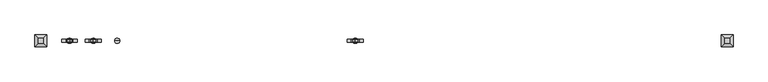
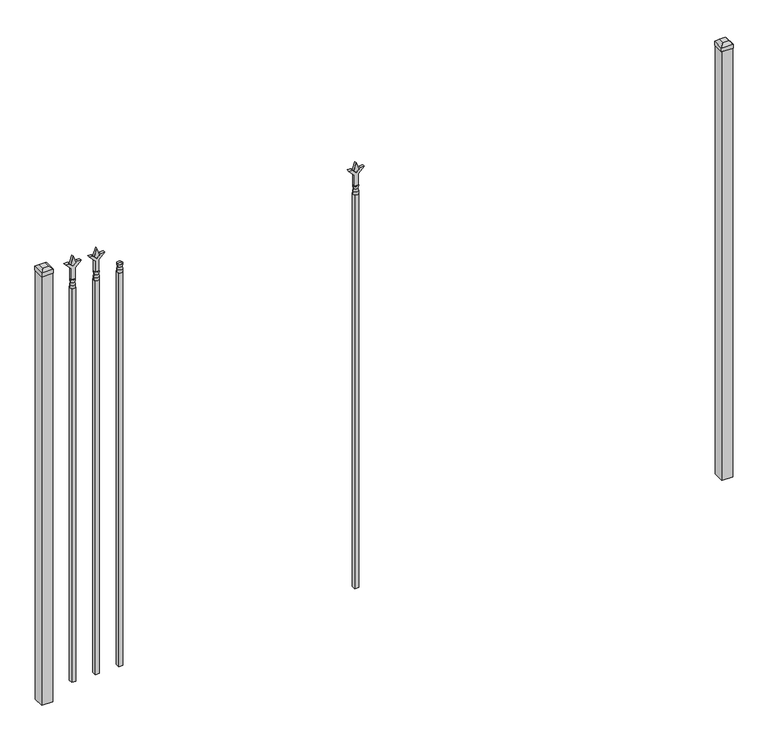
"""IFC4 building model written with IfcOpenShell, lengths in millimetres: railing geometry."""

import ifcopenshell
import ifcopenshell.guid

model = None  # the IFC model being written
_history = None  # IfcOwnerHistory: only IFC2X3 demands one
_inside = {}  # id of a spatial element -> (the spatial element, [elements in it])
_under = {}  # id of a project, library or spatial element -> (it, [spatial elements below it])
_declared = {}  # id of a project -> (the project, [libraries it declares])
_typed = {}  # id of a type object -> (the type object, [elements of that type])
_made_of = {}  # id of a material, layer set ... -> (it, [elements and type objects made of it])


def new_model(schema):
    """Start an empty IFC model of exactly this schema.

    Asked for "IFC4X3", IfcOpenShell would pick the latest addendum, in which some entities
    have other attributes; the version numbers below select the first issue.
    IFC2X3 requires an IfcOwnerHistory on every rooted entity: one is made here for all.
    """
    global model, _history
    if schema == "IFC4X3":
        model = ifcopenshell.file(schema_version=(4, 3, 0, 0))
    else:
        model = ifcopenshell.file(schema=schema)
    _inside.clear()
    _under.clear()
    _declared.clear()
    _typed.clear()
    _made_of.clear()
    _history = None
    if model.schema == "IFC2X3":
        org = make("IfcOrganization", Name="unknown")
        user = make(
            "IfcPersonAndOrganization",
            ThePerson=make("IfcPerson", FamilyName="unknown"),
            TheOrganization=org,
        )
        app = make(
            "IfcApplication",
            ApplicationDeveloper=org,
            Version="unknown",
            ApplicationFullName="unknown",
            ApplicationIdentifier="unknown",
        )
        _history = make(
            "IfcOwnerHistory",
            OwningUser=user,
            OwningApplication=app,
            ChangeAction="ADDED",
            CreationDate=0,
        )
    return model


def make(cls, **values):
    """One entity of the class cls with the attributes given. An attribute that is None is left unset."""
    return model.create_entity(
        cls, **{name: value for name, value in values.items() if value is not None}
    )


def rooted(cls, **values):
    """An entity with a GlobalId (a new one), such as an element, a storey or a relation."""
    return make(cls, GlobalId=ifcopenshell.guid.new(), OwnerHistory=_history, **values)


def si_unit(unit_type, name, prefix=None):
    """IfcSIUnit, for example si_unit("LENGTHUNIT", "METRE", prefix="MILLI")."""
    return make("IfcSIUnit", UnitType=unit_type, Prefix=prefix, Name=name)


def assignment(units):
    """IfcUnitAssignment: the units of a project."""
    return None if units is None else make("IfcUnitAssignment", Units=units)


def point(xyz):
    """IfcCartesianPoint."""
    return None if xyz is None else make("IfcCartesianPoint", Coordinates=xyz)


def direction(xyz):
    """IfcDirection."""
    return None if xyz is None else make("IfcDirection", DirectionRatios=xyz)


def frame(location, z_axis=None, x_axis=None):
    """IfcAxis2Placement3D, a coordinate frame: its origin and axes. An axis left out is left unset."""
    return make(
        "IfcAxis2Placement3D",
        Location=point(location),
        Axis=direction(z_axis),
        RefDirection=direction(x_axis),
    )


def origin():
    """The frame at (0, 0, 0) with its axes left unset."""
    return frame((0.0, 0.0, 0.0))


def origin_with_axes():
    """The frame at (0, 0, 0) with the z axis (0, 0, 1) and the x axis (1, 0, 0) written out."""
    return frame((0.0, 0.0, 0.0), z_axis=(0.0, 0.0, 1.0), x_axis=(1.0, 0.0, 0.0))


def place(relative_to, where):
    """IfcLocalPlacement: puts the frame where relative to a parent placement (None: the world)."""
    return make(
        "IfcLocalPlacement", PlacementRelTo=relative_to, RelativePlacement=where
    )


def context(
    kind, dimensions, precision=None, world=None, true_north=None, identifier=None
):
    """IfcGeometricRepresentationContext, for example the 3D "Model" context."""
    return make(
        "IfcGeometricRepresentationContext",
        ContextIdentifier=identifier,
        ContextType=kind,
        CoordinateSpaceDimension=dimensions,
        Precision=precision,
        WorldCoordinateSystem=world,
        TrueNorth=true_north,
    )


def project(units=None, contexts=None):
    """IfcProject with its units and contexts."""
    return rooted(
        "IfcProject",
        Name="project",
        RepresentationContexts=contexts,
        UnitsInContext=assignment(units),
    )


def spatial(cls, under=None, at=None, **own):
    """A site, building, storey or space (cls), placed at a placement, below another one or the project."""
    s = rooted(cls, ObjectPlacement=at, **own)
    if under is not None:
        _under.setdefault(under.id(), (under, []))[1].append(s)
    return s


def polyline(points):
    """IfcPolyline through the points."""
    return make("IfcPolyline", Points=[point(p) for p in points])


def circle_curve(where, radius):
    """IfcCircle in the frame where."""
    return make("IfcCircle", Position=where, Radius=radius)


def outline(outer, holes=None, kind="AREA"):
    """IfcArbitraryClosedProfileDef: a profile drawn as a closed curve; with holes, ...WithVoids."""
    if holes is None:
        return make("IfcArbitraryClosedProfileDef", ProfileType=kind, OuterCurve=outer)
    return make(
        "IfcArbitraryProfileDefWithVoids",
        ProfileType=kind,
        OuterCurve=outer,
        InnerCurves=holes,
    )


def extrude(swept, where, along, depth):
    """IfcExtrudedAreaSolid: the profile swept, set in the frame where, extruded along a direction by depth."""
    return make(
        "IfcExtrudedAreaSolid",
        SweptArea=swept,
        Position=where,
        ExtrudedDirection=direction(along),
        Depth=depth,
    )


def faces_of(points, faces, orient=None, outer=None):
    """IfcFace entities. A face is a list of loops; a loop is a list of indices into points, from 0.

    orient and outer hold one flag for each loop. By default every Orientation is true, the
    first loop of a face is its IfcFaceOuterBound and the others are IfcFaceBound.
    """
    made = []
    for i, loops in enumerate(faces):
        bounds = []
        for j, loop in enumerate(loops):
            is_outer = j == 0 if outer is None else outer[i][j]
            bounds.append(
                make(
                    "IfcFaceOuterBound" if is_outer else "IfcFaceBound",
                    Bound=make("IfcPolyLoop", Polygon=[points[k] for k in loop]),
                    Orientation=True if orient is None else orient[i][j],
                )
            )
        made.append(make("IfcFace", Bounds=bounds))
    return made


def faceted_brep(points, faces, orient=None, outer=None, voids=None):
    """IfcFacetedBrep: a solid bounded by flat faces; with voids (closed shells), ...WithVoids."""
    shared = [point(p) for p in points]
    hull = make("IfcClosedShell", CfsFaces=faces_of(shared, faces, orient, outer))
    if voids is None:
        return make("IfcFacetedBrep", Outer=hull)
    return make(
        "IfcFacetedBrepWithVoids",
        Outer=hull,
        Voids=[
            make(cls, CfsFaces=faces_of(shared, fs, o, b)) for cls, fs, o, b in voids
        ],
    )


def shape(context_of_items, identifier, shape_type, items):
    """IfcShapeRepresentation: the items that make up one representation, for example the "Body"."""
    return make(
        "IfcShapeRepresentation",
        ContextOfItems=context_of_items,
        RepresentationIdentifier=identifier,
        RepresentationType=shape_type,
        Items=items,
    )


def source(mapping_origin, context_of_items, identifier, shape_type, items):
    """IfcRepresentationMap: a shape defined once, which mapped items show again and again."""
    return make(
        "IfcRepresentationMap",
        MappingOrigin=mapping_origin,
        MappedRepresentation=shape(context_of_items, identifier, shape_type, items),
    )


def transform(
    local_origin,
    x_axis=None,
    y_axis=None,
    z_axis=None,
    scale=None,
    scale2=None,
    scale3=None,
    uniform=True,
):
    """IfcCartesianTransformationOperator3D, or its non-uniform kind. x_axis, y_axis, z_axis: its Axis1, 2, 3."""
    if uniform:
        return make(
            "IfcCartesianTransformationOperator3D",
            Axis1=direction(x_axis),
            Axis2=direction(y_axis),
            LocalOrigin=point(local_origin),
            Scale=scale,
            Axis3=direction(z_axis),
        )
    return make(
        "IfcCartesianTransformationOperator3DnonUniform",
        Axis1=direction(x_axis),
        Axis2=direction(y_axis),
        LocalOrigin=point(local_origin),
        Scale=scale,
        Axis3=direction(z_axis),
        Scale2=scale2,
        Scale3=scale3,
    )


def mapped(mapping_source, mapping_target):
    """IfcMappedItem: shows the shape of a source again, moved by a transform."""
    return make(
        "IfcMappedItem", MappingSource=mapping_source, MappingTarget=mapping_target
    )


def made_of(thing, what):
    """Note that an element or type object is made of a material, layer set ...; save() writes the relation."""
    if what is not None:
        _made_of.setdefault(what.id(), (what, []))[1].append(thing)
    return thing


def element(
    cls,
    number,
    at=None,
    inside=None,
    cuts=None,
    type_object=None,
    material=None,
    context=None,
    identifier="Body",
    shape_type=None,
    held_by="IfcProductDefinitionShape",
    body=None,
    shapes=None,
    **own,
):
    """One element of the class cls, such as IfcWall. Its Tag is "e" and its number.

    at: its placement. inside: the storey or other place that contains it. cuts: it is an
    opening in that element (IfcRelVoidsElement). A single representation is given by context,
    identifier, shape_type and body (its items); several are given by shapes. held_by: the class
    of the entity that holds the representations. save() writes the other relations.
    """
    e = rooted(cls, Tag="e%d" % number, ObjectPlacement=at, **own)
    if body is not None:
        shapes = [shape(context, identifier, shape_type, body)]
    if shapes is not None:
        e.Representation = make(held_by, Representations=shapes)
    if inside is not None:
        _inside.setdefault(inside.id(), (inside, []))[1].append(e)
    if cuts is not None:
        rooted(
            "IfcRelVoidsElement", RelatingBuildingElement=cuts, RelatedOpeningElement=e
        )
    if type_object is not None:
        _typed.setdefault(type_object.id(), (type_object, []))[1].append(e)
    return made_of(e, material)


def aggregate(whole, parts):
    """IfcRelAggregates: a whole, such as a stair, and the parts it consists of."""
    return rooted("IfcRelAggregates", RelatingObject=whole, RelatedObjects=parts)


def save(model, path):
    """Write the relations noted so far, then the file.

    IfcRelAggregates (storeys below a building ...), IfcRelContainedInSpatialStructure (elements
    in a storey), IfcRelDefinesByType, IfcRelAssociatesMaterial and IfcRelDeclares: one each for
    every whole, place, type object, material and project.
    """
    for whole, parts in _under.values():
        aggregate(whole, parts)
    for where, things in _inside.values():
        rooted(
            "IfcRelContainedInSpatialStructure",
            RelatedElements=things,
            RelatingStructure=where,
        )
    for kind, things in _typed.values():
        rooted("IfcRelDefinesByType", RelatedObjects=things, RelatingType=kind)
    for what, things in _made_of.values():
        rooted("IfcRelAssociatesMaterial", RelatedObjects=things, RelatingMaterial=what)
    for by, libraries in _declared.values():
        rooted("IfcRelDeclares", RelatingContext=by, RelatedDefinitions=libraries)
    model.write(path)


def plane_surface(at):
    """IfcPlane: the flat surface through the origin of the frame at, square to its z axis."""
    return make("IfcPlane", Position=at)


def cylinder_surface(at, radius):
    """IfcCylindricalSurface: all points at the distance radius from the z axis of the frame at."""
    return make("IfcCylindricalSurface", Position=at, Radius=radius)


def revolved_surface(curve, axis_point, axis_direction):
    """IfcSurfaceOfRevolution: the curve turned about the line through axis_point along axis_direction."""
    return make(
        "IfcSurfaceOfRevolution",
        SweptCurve=make("IfcArbitraryOpenProfileDef", ProfileType="CURVE", Curve=curve),
        AxisPosition=make("IfcAxis1Placement", Location=point(axis_point), Axis=direction(axis_direction)),
    )


def advanced_brep(points, edges, surfaces, faces):
    """IfcAdvancedBrep: a solid bounded by faces that lie on surfaces and meet in shared edges.

    An edge is (start, end): straight between two places in points (the first is 0);
    or (start, end, curve); or (start, end, curve, False) where it runs against its curve.
    A face is (place in surfaces, loops), or (place, loops, False) where it looks against
    its surface's normal. A loop lists edges by number (the first is 1), with a minus sign
    where the edge is run from its end to its start. The first loop is the outer one.
    """
    corners = [point(p) for p in points]
    vertices = [make("IfcVertexPoint", VertexGeometry=c) for c in corners]
    made = []
    for start, end, *more in edges:
        made.append(
            make(
                "IfcEdgeCurve",
                EdgeStart=vertices[start],
                EdgeEnd=vertices[end],
                EdgeGeometry=more[0] if more else make("IfcPolyline", Points=[corners[start], corners[end]]),
                SameSense=more[1] if len(more) > 1 else True,
            )
        )
    hull = []
    for where, loops, *sense in faces:
        bounds = []
        for j, loop in enumerate(loops):
            ring = [make("IfcOrientedEdge", EdgeElement=made[abs(k) - 1], Orientation=k > 0) for k in loop]
            bounds.append(
                make(
                    "IfcFaceOuterBound" if j == 0 else "IfcFaceBound",
                    Bound=make("IfcEdgeLoop", EdgeList=ring),
                    Orientation=True,
                )
            )
        hull.append(make("IfcAdvancedFace", Bounds=bounds, FaceSurface=surfaces[where], SameSense=sense[0] if sense else True))
    return make("IfcAdvancedBrep", Outer=make("IfcClosedShell", CfsFaces=hull))


def railing_3dbb84fd(model_context):
    return source(origin(), model_context, "Body", "SolidModel", [
        advanced_brep(
        [(-60983.1035036, -3073.6570174, 1993.9), (-61006.9160036, -3073.6570174, 1993.9), (-61006.9160036, -3073.6570174, 1981.2), (-60983.1035036, -3073.6570174, 1981.2), (-60985.3088355, -3073.6570174, 2006.4070585), (-61004.7106718, -3073.6570174, 2006.4070585), (-60983.1035036, -3073.6570174, 2022.475), (-61006.9160036, -3073.6570174, 2022.475), (-60995.0097536, -3073.6570174, 2022.475), (-60995.0097536, -3073.6570174, 1981.2)],
        [
            (0, 1, circle_curve(frame((-60995.0097536, -3073.6570174, 1993.9), z_axis=(0.0, 0.0, -1.0), x_axis=(-1.0, 0.0, 0.0)), 11.90625)),
            (1, 2),
            (2, 3, circle_curve(frame((-60995.0097536, -3073.6570174, 1981.2), z_axis=(0.0, 0.0, 1.0), x_axis=(-1.0, 0.0, 0.0)), 11.90625)),
            (3, 0),
            (1, 0, circle_curve(frame((-60995.0097536, -3073.6570174, 1993.9), z_axis=(0.0, 0.0, -1.0), x_axis=(-1.0, 0.0, 0.0)), 11.90625)),
            (3, 2, circle_curve(frame((-60995.0097536, -3073.6570174, 1981.2), z_axis=(0.0, 0.0, 1.0), x_axis=(-1.0, 0.0, 0.0)), 11.90625)),
            (4, 5, circle_curve(frame((-60995.0097536, -3073.6570174, 2006.4070585), z_axis=(0.0, 0.0, -1.0), x_axis=(-1.0, 0.0, 0.0)), 9.7009181)),
            (5, 1),
            (0, 4),
            (5, 4, circle_curve(frame((-60995.0097536, -3073.6570174, 2006.4070585), z_axis=(0.0, 0.0, -1.0), x_axis=(-1.0, 0.0, 0.0)), 9.7009181)),
            (6, 7, circle_curve(frame((-60995.0097536, -3073.6570174, 2022.475), z_axis=(0.0, 0.0, -1.0), x_axis=(-1.0, 0.0, 0.0)), 11.90625)),
            (7, 5),
            (4, 6),
            (7, 6, circle_curve(frame((-60995.0097536, -3073.6570174, 2022.475), z_axis=(0.0, 0.0, -1.0), x_axis=(-1.0, 0.0, 0.0)), 11.90625)),
            (8, 7),
            (6, 8),
            (2, 9),
            (9, 3),
        ],
        [
            cylinder_surface(frame((-60995.0097536, -3073.6570174, 1981.2), z_axis=(0.0, 0.0, 1.0), x_axis=(-1.0, 0.0, 0.0)), 11.90625),
            revolved_surface(polyline([(-61006.9160036, -3073.6570174, 1993.9), (-61004.7106718, -3073.6570174, 2006.4070585)]), (-60995.0097536, -3073.6570174, 1981.2), (0.0, 0.0, 1.0)),
            revolved_surface(polyline([(-61004.7106718, -3073.6570174, 2006.4070585), (-61006.9160036, -3073.6570174, 2022.475)]), (-60995.0097536, -3073.6570174, 1981.2), (0.0, 0.0, 1.0)),
            plane_surface(frame((-60995.0097536, -3073.6570174, 2022.475), z_axis=(0.0, 0.0, 1.0), x_axis=(-1.0, 0.0, 0.0))),
            plane_surface(frame((-60995.0097536, -3073.6570174, 1981.2), z_axis=(0.0, 0.0, -1.0), x_axis=(-1.0, 0.0, 0.0))),
        ],
        [
            (0, [[1, 2, 3, 4]]),
            (0, [[5, -4, 6, -2]]),
            (1, [[7, 8, -1, 9]]),
            (1, [[10, -9, -5, -8]]),
            (2, [[11, 12, -7, 13]]),
            (2, [[14, -13, -10, -12]]),
            (3, [[15, -11, 16]]),
            (3, [[-16, -14, -15]]),
            (4, [[-3, 17, 18]]),
            (4, [[-6, -18, -17]]),
        ],
    ),
        extrude(outline(polyline([(-61004.5347536, -3064.1320174), (-60985.4847536, -3064.1320174), (-60985.4847536, -3083.1820174), (-61004.5347536, -3083.1820174), (-61004.5347536, -3064.1320174)])), frame((0.0, 0.0, 50.8), z_axis=(0.0, 0.0, 1.0), x_axis=(1.0, 0.0, 0.0)), (0.0, 0.0, 1.0), 1930.4),
        extrude(outline(polyline([(2097.88125, -61092.3764203), (2133.6, -61104.2826703), (2097.88125, -61116.1889203), (2085.975, -61104.2826703), (2097.88125, -61092.3764203)])), frame((0.0, -3078.4195174, 0.0), z_axis=(0.0, 1.0, 0.0), x_axis=(0.0, 0.0, 1.0)), (0.0, 0.0, 1.0), 9.525),
        extrude(outline(polyline([(2022.475, -61095.5514203), (2076.7457378, -61095.5514203), (2103.9355122, -61068.3616458), (2103.9355122, -61086.3221581), (2085.975, -61104.2826703), (2103.9355122, -61122.2431825), (2103.9355122, -61140.2036948), (2076.7457378, -61113.0139203), (2022.475, -61113.0139203), (2022.475, -61095.5514203)])), frame((0.0, -3080.0070174, 0.0), z_axis=(0.0, 1.0, 0.0), x_axis=(0.0, 0.0, 1.0)), (0.0, 0.0, 1.0), 12.7),
        advanced_brep(
        [(-61092.3764203, -3073.6570174, 1993.9), (-61116.1889203, -3073.6570174, 1993.9), (-61116.1889203, -3073.6570174, 1981.2), (-61092.3764203, -3073.6570174, 1981.2), (-61094.5817522, -3073.6570174, 2006.4070585), (-61113.9835884, -3073.6570174, 2006.4070585), (-61092.3764203, -3073.6570174, 2022.475), (-61116.1889203, -3073.6570174, 2022.475), (-61104.2826703, -3073.6570174, 2022.475), (-61104.2826703, -3073.6570174, 1981.2)],
        [
            (0, 1, circle_curve(frame((-61104.2826703, -3073.6570174, 1993.9), z_axis=(0.0, 0.0, -1.0), x_axis=(-1.0, 0.0, 0.0)), 11.90625)),
            (1, 2),
            (2, 3, circle_curve(frame((-61104.2826703, -3073.6570174, 1981.2), z_axis=(0.0, 0.0, 1.0), x_axis=(-1.0, 0.0, 0.0)), 11.90625)),
            (3, 0),
            (1, 0, circle_curve(frame((-61104.2826703, -3073.6570174, 1993.9), z_axis=(0.0, 0.0, -1.0), x_axis=(-1.0, 0.0, 0.0)), 11.90625)),
            (3, 2, circle_curve(frame((-61104.2826703, -3073.6570174, 1981.2), z_axis=(0.0, 0.0, 1.0), x_axis=(-1.0, 0.0, 0.0)), 11.90625)),
            (4, 5, circle_curve(frame((-61104.2826703, -3073.6570174, 2006.4070585), z_axis=(0.0, 0.0, -1.0), x_axis=(-1.0, 0.0, 0.0)), 9.7009181)),
            (5, 1),
            (0, 4),
            (5, 4, circle_curve(frame((-61104.2826703, -3073.6570174, 2006.4070585), z_axis=(0.0, 0.0, -1.0), x_axis=(-1.0, 0.0, 0.0)), 9.7009181)),
            (6, 7, circle_curve(frame((-61104.2826703, -3073.6570174, 2022.475), z_axis=(0.0, 0.0, -1.0), x_axis=(-1.0, 0.0, 0.0)), 11.90625)),
            (7, 5),
            (4, 6),
            (7, 6, circle_curve(frame((-61104.2826703, -3073.6570174, 2022.475), z_axis=(0.0, 0.0, -1.0), x_axis=(-1.0, 0.0, 0.0)), 11.90625)),
            (8, 7),
            (6, 8),
            (2, 9),
            (9, 3),
        ],
        [
            cylinder_surface(frame((-61104.2826703, -3073.6570174, 1981.2), z_axis=(0.0, 0.0, 1.0), x_axis=(-1.0, 0.0, 0.0)), 11.90625),
            revolved_surface(polyline([(-61116.1889203, -3073.6570174, 1993.9), (-61113.9835884, -3073.6570174, 2006.4070585)]), (-61104.2826703, -3073.6570174, 1981.2), (0.0, 0.0, 1.0)),
            revolved_surface(polyline([(-61113.9835884, -3073.6570174, 2006.4070585), (-61116.1889203, -3073.6570174, 2022.475)]), (-61104.2826703, -3073.6570174, 1981.2), (0.0, 0.0, 1.0)),
            plane_surface(frame((-61104.2826703, -3073.6570174, 2022.475), z_axis=(0.0, 0.0, 1.0), x_axis=(-1.0, 0.0, 0.0))),
            plane_surface(frame((-61104.2826703, -3073.6570174, 1981.2), z_axis=(0.0, 0.0, -1.0), x_axis=(-1.0, 0.0, 0.0))),
        ],
        [
            (0, [[1, 2, 3, 4]]),
            (0, [[5, -4, 6, -2]]),
            (1, [[7, 8, -1, 9]]),
            (1, [[10, -9, -5, -8]]),
            (2, [[11, 12, -7, 13]]),
            (2, [[14, -13, -10, -12]]),
            (3, [[15, -11, 16]]),
            (3, [[-16, -14, -15]]),
            (4, [[-3, 17, 18]]),
            (4, [[-6, -18, -17]]),
        ],
    ),
        extrude(outline(polyline([(-61113.8076703, -3064.1320174), (-61094.7576703, -3064.1320174), (-61094.7576703, -3083.1820174), (-61113.8076703, -3083.1820174), (-61113.8076703, -3064.1320174)])), frame((0.0, 0.0, 50.8), z_axis=(0.0, 0.0, 1.0), x_axis=(1.0, 0.0, 0.0)), (0.0, 0.0, 1.0), 1930.4),
        extrude(outline(polyline([(2097.88125, -59890.374337), (2133.6, -59902.280587), (2097.88125, -59914.186837), (2085.975, -59902.280587), (2097.88125, -59890.374337)])), frame((0.0, -3078.4195174, 0.0), z_axis=(0.0, 1.0, 0.0), x_axis=(0.0, 0.0, 1.0)), (0.0, 0.0, 1.0), 9.525),
        extrude(outline(polyline([(2022.475, -59893.549337), (2076.7457378, -59893.549337), (2103.9355122, -59866.3595625), (2103.9355122, -59884.3200747), (2085.975, -59902.280587), (2103.9355122, -59920.2410992), (2103.9355122, -59938.2016114), (2076.7457378, -59911.011837), (2022.475, -59911.011837), (2022.475, -59893.549337)])), frame((0.0, -3080.0070174, 0.0), z_axis=(0.0, 1.0, 0.0), x_axis=(0.0, 0.0, 1.0)), (0.0, 0.0, 1.0), 12.7),
        advanced_brep(
        [(-59890.374337, -3073.6570174, 1993.9), (-59914.186837, -3073.6570174, 1993.9), (-59914.186837, -3073.6570174, 1981.2), (-59890.374337, -3073.6570174, 1981.2), (-59892.5796688, -3073.6570174, 2006.4070585), (-59911.9815051, -3073.6570174, 2006.4070585), (-59890.374337, -3073.6570174, 2022.475), (-59914.186837, -3073.6570174, 2022.475), (-59902.280587, -3073.6570174, 2022.475), (-59902.280587, -3073.6570174, 1981.2)],
        [
            (0, 1, circle_curve(frame((-59902.280587, -3073.6570174, 1993.9), z_axis=(0.0, 0.0, -1.0), x_axis=(-1.0, 0.0, 0.0)), 11.90625)),
            (1, 2),
            (2, 3, circle_curve(frame((-59902.280587, -3073.6570174, 1981.2), z_axis=(0.0, 0.0, 1.0), x_axis=(-1.0, 0.0, 0.0)), 11.90625)),
            (3, 0),
            (1, 0, circle_curve(frame((-59902.280587, -3073.6570174, 1993.9), z_axis=(0.0, 0.0, -1.0), x_axis=(-1.0, 0.0, 0.0)), 11.90625)),
            (3, 2, circle_curve(frame((-59902.280587, -3073.6570174, 1981.2), z_axis=(0.0, 0.0, 1.0), x_axis=(-1.0, 0.0, 0.0)), 11.90625)),
            (4, 5, circle_curve(frame((-59902.280587, -3073.6570174, 2006.4070585), z_axis=(0.0, 0.0, -1.0), x_axis=(-1.0, 0.0, 0.0)), 9.7009181)),
            (5, 1),
            (0, 4),
            (5, 4, circle_curve(frame((-59902.280587, -3073.6570174, 2006.4070585), z_axis=(0.0, 0.0, -1.0), x_axis=(-1.0, 0.0, 0.0)), 9.7009181)),
            (6, 7, circle_curve(frame((-59902.280587, -3073.6570174, 2022.475), z_axis=(0.0, 0.0, -1.0), x_axis=(-1.0, 0.0, 0.0)), 11.90625)),
            (7, 5),
            (4, 6),
            (7, 6, circle_curve(frame((-59902.280587, -3073.6570174, 2022.475), z_axis=(0.0, 0.0, -1.0), x_axis=(-1.0, 0.0, 0.0)), 11.90625)),
            (8, 7),
            (6, 8),
            (2, 9),
            (9, 3),
        ],
        [
            cylinder_surface(frame((-59902.280587, -3073.6570174, 1981.2), z_axis=(0.0, 0.0, 1.0), x_axis=(-1.0, 0.0, 0.0)), 11.90625),
            revolved_surface(polyline([(-59914.186837, -3073.6570174, 1993.9), (-59911.9815051, -3073.6570174, 2006.4070585)]), (-59902.280587, -3073.6570174, 1981.2), (0.0, 0.0, 1.0)),
            revolved_surface(polyline([(-59911.9815051, -3073.6570174, 2006.4070585), (-59914.186837, -3073.6570174, 2022.475)]), (-59902.280587, -3073.6570174, 1981.2), (0.0, 0.0, 1.0)),
            plane_surface(frame((-59902.280587, -3073.6570174, 2022.475), z_axis=(0.0, 0.0, 1.0), x_axis=(-1.0, 0.0, 0.0))),
            plane_surface(frame((-59902.280587, -3073.6570174, 1981.2), z_axis=(0.0, 0.0, -1.0), x_axis=(-1.0, 0.0, 0.0))),
        ],
        [
            (0, [[1, 2, 3, 4]]),
            (0, [[5, -4, 6, -2]]),
            (1, [[7, 8, -1, 9]]),
            (1, [[10, -9, -5, -8]]),
            (2, [[11, 12, -7, 13]]),
            (2, [[14, -13, -10, -12]]),
            (3, [[15, -11, 16]]),
            (3, [[-16, -14, -15]]),
            (4, [[-3, 17, 18]]),
            (4, [[-6, -18, -17]]),
        ],
    ),
        extrude(outline(polyline([(-59911.805587, -3064.1320174), (-59892.755587, -3064.1320174), (-59892.755587, -3083.1820174), (-59911.805587, -3083.1820174), (-59911.805587, -3064.1320174)])), frame((0.0, 0.0, 50.8), z_axis=(0.0, 0.0, 1.0), x_axis=(1.0, 0.0, 0.0)), (0.0, 0.0, 1.0), 1930.4),
        extrude(outline(polyline([(2097.88125, -61201.649337), (2133.6, -61213.555587), (2097.88125, -61225.461837), (2085.975, -61213.555587), (2097.88125, -61201.649337)])), frame((0.0, -3078.4195174, 0.0), z_axis=(0.0, 1.0, 0.0), x_axis=(0.0, 0.0, 1.0)), (0.0, 0.0, 1.0), 9.525),
        extrude(outline(polyline([(2022.475, -61204.824337), (2076.7457378, -61204.824337), (2103.9355122, -61177.6345625), (2103.9355122, -61195.5950747), (2085.975, -61213.555587), (2103.9355122, -61231.5160992), (2103.9355122, -61249.4766114), (2076.7457378, -61222.286837), (2022.475, -61222.286837), (2022.475, -61204.824337)])), frame((0.0, -3080.0070174, 0.0), z_axis=(0.0, 1.0, 0.0), x_axis=(0.0, 0.0, 1.0)), (0.0, 0.0, 1.0), 12.7),
        advanced_brep(
        [(-61201.649337, -3073.6570174, 1993.9), (-61225.461837, -3073.6570174, 1993.9), (-61225.461837, -3073.6570174, 1981.2), (-61201.649337, -3073.6570174, 1981.2), (-61203.8546688, -3073.6570174, 2006.4070585), (-61223.2565051, -3073.6570174, 2006.4070585), (-61201.649337, -3073.6570174, 2022.475), (-61225.461837, -3073.6570174, 2022.475), (-61213.555587, -3073.6570174, 2022.475), (-61213.555587, -3073.6570174, 1981.2)],
        [
            (0, 1, circle_curve(frame((-61213.555587, -3073.6570174, 1993.9), z_axis=(0.0, 0.0, -1.0), x_axis=(-1.0, 0.0, 0.0)), 11.90625)),
            (1, 2),
            (2, 3, circle_curve(frame((-61213.555587, -3073.6570174, 1981.2), z_axis=(0.0, 0.0, 1.0), x_axis=(-1.0, 0.0, 0.0)), 11.90625)),
            (3, 0),
            (1, 0, circle_curve(frame((-61213.555587, -3073.6570174, 1993.9), z_axis=(0.0, 0.0, -1.0), x_axis=(-1.0, 0.0, 0.0)), 11.90625)),
            (3, 2, circle_curve(frame((-61213.555587, -3073.6570174, 1981.2), z_axis=(0.0, 0.0, 1.0), x_axis=(-1.0, 0.0, 0.0)), 11.90625)),
            (4, 5, circle_curve(frame((-61213.555587, -3073.6570174, 2006.4070585), z_axis=(0.0, 0.0, -1.0), x_axis=(-1.0, 0.0, 0.0)), 9.7009181)),
            (5, 1),
            (0, 4),
            (5, 4, circle_curve(frame((-61213.555587, -3073.6570174, 2006.4070585), z_axis=(0.0, 0.0, -1.0), x_axis=(-1.0, 0.0, 0.0)), 9.7009181)),
            (6, 7, circle_curve(frame((-61213.555587, -3073.6570174, 2022.475), z_axis=(0.0, 0.0, -1.0), x_axis=(-1.0, 0.0, 0.0)), 11.90625)),
            (7, 5),
            (4, 6),
            (7, 6, circle_curve(frame((-61213.555587, -3073.6570174, 2022.475), z_axis=(0.0, 0.0, -1.0), x_axis=(-1.0, 0.0, 0.0)), 11.90625)),
            (8, 7),
            (6, 8),
            (2, 9),
            (9, 3),
        ],
        [
            cylinder_surface(frame((-61213.555587, -3073.6570174, 1981.2), z_axis=(0.0, 0.0, 1.0), x_axis=(-1.0, 0.0, 0.0)), 11.90625),
            revolved_surface(polyline([(-61225.461837, -3073.6570174, 1993.9), (-61223.2565051, -3073.6570174, 2006.4070585)]), (-61213.555587, -3073.6570174, 1981.2), (0.0, 0.0, 1.0)),
            revolved_surface(polyline([(-61223.2565051, -3073.6570174, 2006.4070585), (-61225.461837, -3073.6570174, 2022.475)]), (-61213.555587, -3073.6570174, 1981.2), (0.0, 0.0, 1.0)),
            plane_surface(frame((-61213.555587, -3073.6570174, 2022.475), z_axis=(0.0, 0.0, 1.0), x_axis=(-1.0, 0.0, 0.0))),
            plane_surface(frame((-61213.555587, -3073.6570174, 1981.2), z_axis=(0.0, 0.0, -1.0), x_axis=(-1.0, 0.0, 0.0))),
        ],
        [
            (0, [[1, 2, 3, 4]]),
            (0, [[5, -4, 6, -2]]),
            (1, [[7, 8, -1, 9]]),
            (1, [[10, -9, -5, -8]]),
            (2, [[11, 12, -7, 13]]),
            (2, [[14, -13, -10, -12]]),
            (3, [[15, -11, 16]]),
            (3, [[-16, -14, -15]]),
            (4, [[-3, 17, 18]]),
            (4, [[-6, -18, -17]]),
        ],
    ),
        extrude(outline(polyline([(-61223.080587, -3064.1320174), (-61204.030587, -3064.1320174), (-61204.030587, -3083.1820174), (-61223.080587, -3083.1820174), (-61223.080587, -3064.1320174)])), frame((0.0, 0.0, 50.8), z_axis=(0.0, 0.0, 1.0), x_axis=(1.0, 0.0, 0.0)), (0.0, 0.0, 1.0), 1930.4),
        extrude(outline(polyline([(-58170.318087, -3048.2570174), (-58170.318087, -3099.0570174), (-58221.118087, -3099.0570174), (-58221.118087, -3048.2570174), (-58170.318087, -3048.2570174)])), origin_with_axes(), (0.0, 0.0, 1.0), 2101.85),
        faceted_brep([(-58222.705587, -3046.6695174, 2120.9), (-58222.705587, -3046.6695174, 2101.85), (-58222.705587, -3100.6445174, 2101.85), (-58222.705587, -3100.6445174, 2120.9), (-58210.005587, -3059.3695174, 2133.6), (-58210.005587, -3087.9445174, 2133.6), (-58168.730587, -3100.6445174, 2101.85), (-58168.730587, -3100.6445174, 2120.9), (-58181.430587, -3087.9445174, 2133.6), (-58168.730587, -3046.6695174, 2101.85), (-58168.730587, -3046.6695174, 2120.9), (-58181.430587, -3059.3695174, 2133.6)], [[[0, 1, 2, 3]], [[4, 0, 3, 5]], [[3, 2, 6, 7]], [[5, 3, 7, 8]], [[7, 6, 9, 10]], [[8, 7, 10, 11]], [[10, 9, 1, 0]], [[11, 10, 0, 4]], [[5, 8, 11, 4]], [[1, 9, 6, 2]]]),
        extrude(outline(polyline([(-61319.918087, -3048.2570174), (-61319.918087, -3099.0570174), (-61370.718087, -3099.0570174), (-61370.718087, -3048.2570174), (-61319.918087, -3048.2570174)])), origin_with_axes(), (0.0, 0.0, 1.0), 2101.85),
        faceted_brep([(-61372.305587, -3046.6695174, 2120.9), (-61372.305587, -3046.6695174, 2101.85), (-61372.305587, -3100.6445174, 2101.85), (-61372.305587, -3100.6445174, 2120.9), (-61359.605587, -3059.3695174, 2133.6), (-61359.605587, -3087.9445174, 2133.6), (-61318.330587, -3100.6445174, 2101.85), (-61318.330587, -3100.6445174, 2120.9), (-61331.030587, -3087.9445174, 2133.6), (-61318.330587, -3046.6695174, 2101.85), (-61318.330587, -3046.6695174, 2120.9), (-61331.030587, -3059.3695174, 2133.6)], [[[0, 1, 2, 3]], [[4, 0, 3, 5]], [[3, 2, 6, 7]], [[5, 3, 7, 8]], [[7, 6, 9, 10]], [[8, 7, 10, 11]], [[10, 9, 1, 0]], [[11, 10, 0, 4]], [[5, 8, 11, 4]], [[1, 9, 6, 2]]]),
    ])


if __name__ == "__main__":
    model = new_model("IFC4")
    model_context = context("Model", 3, world=origin())
    ifc_project = project(units=[si_unit("LENGTHUNIT", "METRE", prefix="MILLI")], contexts=[model_context])
    site = spatial("IfcSite", under=ifc_project)
    building = spatial("IfcBuilding", under=site)
    placement = place(None, origin())
    railing_shape = railing_3dbb84fd(model_context)
    element("IfcRailing", 1, at=placement, inside=building, context=model_context, shape_type="MappedRepresentation", body=[
        mapped(railing_shape, transform((0.0, 0.0, 0.0), x_axis=(1.0, 0.0, 0.0), y_axis=(0.0, 1.0, 0.0), z_axis=(0.0, 0.0, 1.0))),
    ])
    save(model, "model.ifc")
